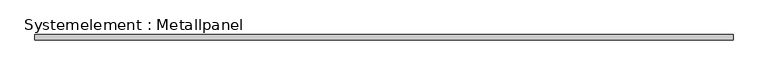
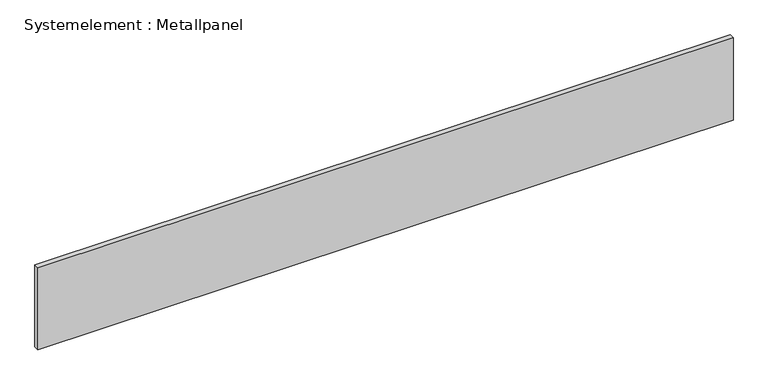
"""IFC4 building model written with IfcOpenShell, lengths in millimetres: plate geometry, Systemelement : Metallpanel."""

from ifc_helpers import new_model, si_unit, origin, origin_with_axes, place, context, project, spatial, polyline, outline, extrude, source, transform, mapped, element, save


def systemelement_metallpanel_b65c1aba(model_context):
    return source(origin(), model_context, "Body", "SweptSolid", [
        extrude(outline(polyline([(1959.7916414, -15.0), (-1959.7916414, -15.0), (-1959.7916414, 15.0), (1959.7916414, 15.0), (1959.7916414, -15.0)])), origin_with_axes(), (0.0, 0.0, 1.0), 490.0),
    ])


if __name__ == "__main__":
    model = new_model("IFC4")
    model_context = context("Model", 3, world=origin())
    ifc_project = project(units=[si_unit("LENGTHUNIT", "METRE", prefix="MILLI")], contexts=[model_context])
    site = spatial("IfcSite", under=ifc_project)
    building = spatial("IfcBuilding", under=site)
    placement = place(None, origin())
    systemelement_metallpanel_shape = systemelement_metallpanel_b65c1aba(model_context)
    element("IfcPlate", 1, ObjectType="Systemelement : Metallpanel", at=placement, inside=building, context=model_context, shape_type="MappedRepresentation", body=[
        mapped(systemelement_metallpanel_shape, transform((0.0, 0.0, 0.0), x_axis=(1.0, 0.0, 0.0), y_axis=(0.0, 1.0, 0.0), z_axis=(0.0, 0.0, 1.0))),
    ])
    save(model, "model.ifc")
